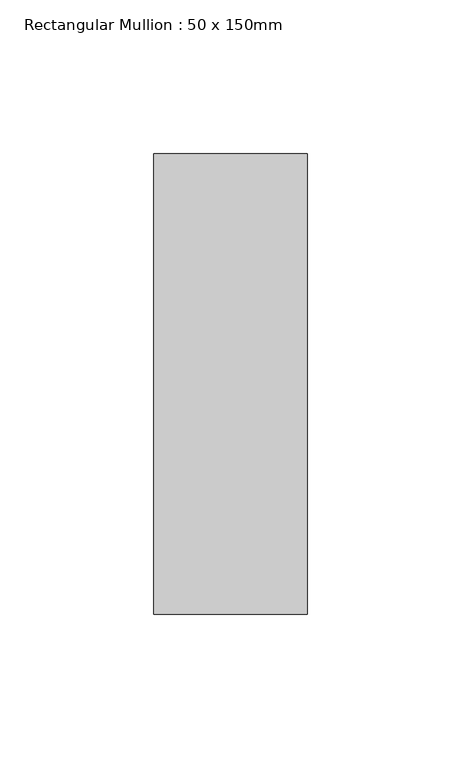
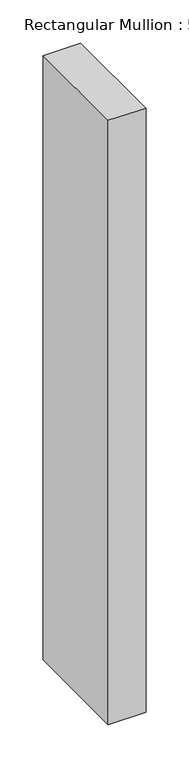
"""IFC4 building model written with IfcOpenShell, lengths in millimetres: member geometry, Rectangular Mullion : 50 x 150mm."""

from ifc_helpers import new_model, si_unit, frame, origin, place, context, project, spatial, polyline, outline, extrude, source, transform, mapped, element, save


def rectangular_mullion_50_x_150mm_f478ca5a(model_context):
    return source(origin(), model_context, "Body", "SweptSolid", [
        extrude(outline(polyline([(25.0, 75.0), (25.0, -75.0), (-25.0, -75.0), (-25.0, 75.0), (25.0, 75.0)])), frame((0.0, 0.0, -850.0), z_axis=(0.0, 0.0, 1.0), x_axis=(1.0, 0.0, 0.0)), (0.0, 0.0, 1.0), 850.0),
    ])


if __name__ == "__main__":
    model = new_model("IFC4")
    model_context = context("Model", 3, world=origin())
    ifc_project = project(units=[si_unit("LENGTHUNIT", "METRE", prefix="MILLI")], contexts=[model_context])
    site = spatial("IfcSite", under=ifc_project)
    building = spatial("IfcBuilding", under=site)
    placement = place(None, origin())
    rectangular_mullion_50_x_150mm_shape = rectangular_mullion_50_x_150mm_f478ca5a(model_context)
    element("IfcMember", 1, ObjectType="Rectangular Mullion : 50 x 150mm", at=placement, inside=building, context=model_context, shape_type="MappedRepresentation", body=[
        mapped(rectangular_mullion_50_x_150mm_shape, transform((0.0, 0.0, 0.0), x_axis=(1.0, 0.0, 0.0), y_axis=(0.0, 1.0, 0.0), z_axis=(0.0, 0.0, 1.0))),
    ])
    save(model, "model.ifc")
